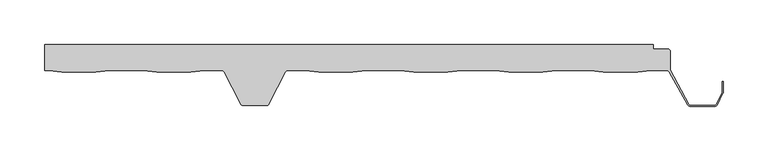
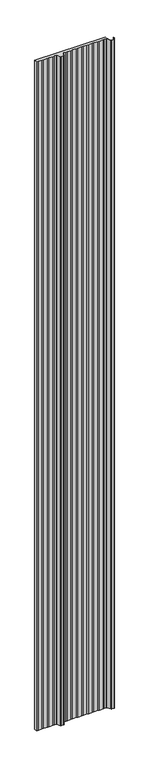
"""IFC4 building model written with IfcOpenShell, lengths in millimetres: proxy geometry."""

from ifc_helpers import new_model, si_unit, point, frame_2d, origin, origin_with_axes, place, context, project, spatial, polyline, circle_curve, trimmed, segment, composite_curve, outline, extrude, source, transform, mapped, element, save


def generic_models_af46d0f4(model_context):
    return source(origin(), model_context, "Body", "SweptSolid", [
        extrude(outline(composite_curve([segment(polyline([(269.5632135, 0.0), (265.3803922, 0.0), (265.3803922, 29.1020544), (945.306253, 29.1020544), (945.306253, 24.1020544), (961.2351211, 24.1020544)]), True, "CONTINUOUS"), segment(trimmed(circle_curve(frame_2d((961.2351211, 21.1020544)), 3.0), [point((961.2351211, 24.1020544))], [point((964.2351211, 21.1020544))], False, "CARTESIAN"), True, "CONTINUOUS"), segment(polyline([(964.2351211, 21.1020544), (964.2351211, 0.7965502), (984.5660869, -37.8919418)]), True, "CONTINUOUS"), segment(trimmed(circle_curve(frame_2d((986.3557773, -36.9991886)), 2.0), [point((984.5660869, -37.8919418))], [point((986.3557773, -38.9991886))], True, "CARTESIAN"), True, "CONTINUOUS"), segment(polyline([(986.3557773, -38.9991886), (1013.6874272, -38.9991886)]), True, "CONTINUOUS"), segment(trimmed(circle_curve(frame_2d((1013.6874272, -36.9991886)), 2.0), [point((1013.6874272, -38.9991886))], [point((1015.4767281, -37.8927222))], True, "CARTESIAN"), True, "CONTINUOUS"), segment(polyline([(1015.4767281, -37.8927222), (1022.005913, -24.8180295)]), True, "CONTINUOUS"), segment(trimmed(circle_curve(frame_2d((1020.2166121, -23.9244959)), 2.0), [point((1022.005913, -24.8180295))], [point((1022.2166121, -23.9244959))], True, "CARTESIAN"), True, "CONTINUOUS"), segment(polyline([(1022.2166121, -23.9244959), (1022.2166121, -12.4550557), (1023.2166121, -12.4550557), (1023.2166121, -23.9244959)]), True, "CONTINUOUS"), segment(trimmed(circle_curve(frame_2d((1020.2166121, -23.9244959)), 3.0), [point((1023.2166121, -23.9244959))], [point((1022.9005634, -25.2647963))], False, "CARTESIAN"), True, "CONTINUOUS"), segment(polyline([(1022.9005634, -25.2647963), (1016.3713786, -38.3394889)]), True, "CONTINUOUS"), segment(trimmed(circle_curve(frame_2d((1013.6874272, -36.9991886)), 3.0), [point((1016.3713786, -38.3394889))], [point((1013.6874272, -39.9991886))], False, "CARTESIAN"), True, "CONTINUOUS"), segment(polyline([(1013.6874272, -39.9991886), (986.3384217, -39.9991886)]), True, "CONTINUOUS"), segment(trimmed(circle_curve(frame_2d((986.3384217, -36.9991886)), 3.0), [point((986.3384217, -39.9991886))], [point((983.7108944, -38.44698))], False, "CARTESIAN"), True, "CONTINUOUS"), segment(polyline([(983.7108944, -38.44698), (962.8075869, -1.5506091)]), True, "CONTINUOUS"), segment(trimmed(circle_curve(frame_2d((960.1809415, -3.0)), 3.0), [point((962.8075869, -1.5506091))], [point((960.1809415, 0.0))], True, "CARTESIAN"), True, "CONTINUOUS"), segment(polyline([(960.1809415, 0.0), (942.4369507, 0.0), (927.573234, -1.7979456), (889.4539348, -1.7979456), (874.5902181, 0.0), (836.4369507, 0.0), (821.573234, -1.7979456), (783.4539348, -1.7979456), (768.5902181, 0.0), (730.4369507, 0.0), (715.573234, -1.7979456), (677.4539348, -1.7979456), (662.5902181, 0.0), (624.4369507, 0.0), (609.573234, -1.7979456), (571.4539348, -1.7979456), (556.5902181, 0.0), (536.4373213, 0.0)]), True, "CONTINUOUS"), segment(trimmed(circle_curve(frame_2d((536.856405, -2.9878462)), 3.017094), [point((536.4373213, 0.0))], [point((534.1528136, -1.6486489))], True, "CARTESIAN"), True, "CONTINUOUS"), segment(polyline([(534.1528136, -1.6486489), (515.8288959, -37.3482459)]), True, "CONTINUOUS"), segment(trimmed(circle_curve(frame_2d((513.1449445, -36.0079456)), 3.0), [point((515.8288959, -37.3482459))], [point((513.1449445, -39.0079456))], False, "CARTESIAN"), True, "CONTINUOUS"), segment(polyline([(513.1449445, -39.0079456), (486.8552196, -39.0079456)]), True, "CONTINUOUS"), segment(trimmed(circle_curve(frame_2d((486.8552196, -36.0079456)), 3.0), [point((486.8552196, -39.0079456))], [point((484.1712683, -37.3482459))], False, "CARTESIAN"), True, "CONTINUOUS"), segment(polyline([(484.1712683, -37.3482459), (465.8289057, -1.6576649)]), True, "CONTINUOUS"), segment(trimmed(circle_curve(frame_2d((463.1449543, -2.9979652)), 3.0), [point((465.8289057, -1.6576649))], [point((463.1449543, 0.0020348))], True, "CARTESIAN"), True, "CONTINUOUS"), segment(polyline([(463.1449543, 0.0020348), (443.4267677, 0.0020348), (428.5462294, -1.7979456), (390.4269301, -1.7979456), (375.5632135, 0.0), (337.409946, 0.0), (322.5462294, -1.7979456), (284.4269301, -1.7979456), (269.5632135, 0.0)]), True, "CONTINUOUS")], self_intersect=False)), origin_with_axes(), (0.0, 0.0, 1.0), 7000.0),
    ])


if __name__ == "__main__":
    model = new_model("IFC4")
    model_context = context("Model", 3, world=origin())
    ifc_project = project(units=[si_unit("LENGTHUNIT", "METRE", prefix="MILLI")], contexts=[model_context])
    site = spatial("IfcSite", under=ifc_project)
    building = spatial("IfcBuilding", under=site)
    placement = place(None, origin())
    generic_models_shape = generic_models_af46d0f4(model_context)
    element("IfcBuildingElementProxy", 1, Name="Generic Models", at=placement, inside=building, context=model_context, shape_type="MappedRepresentation", body=[
        mapped(generic_models_shape, transform((0.0, 0.0, 0.0), x_axis=(1.0, 0.0, 0.0), y_axis=(0.0, 1.0, 0.0), z_axis=(0.0, 0.0, 1.0))),
    ])
    save(model, "model.ifc")
